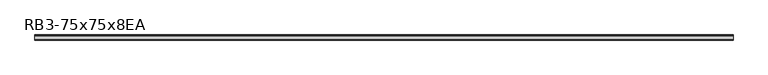
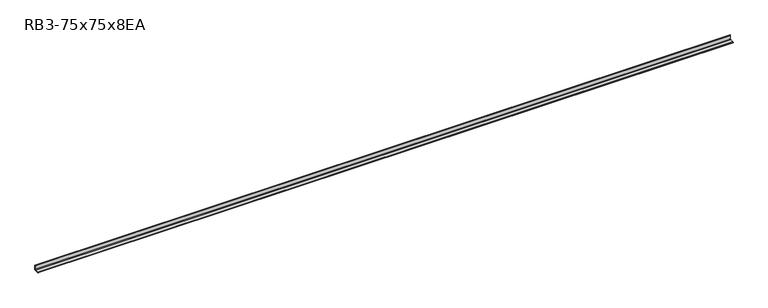
"""IFC4 building model written with IfcOpenShell, lengths in millimetres: member geometry, RB3-75x75x8EA."""

from ifc_helpers import new_model, si_unit, point, frame, frame_2d, origin, place, context, project, spatial, polyline, circle_curve, trimmed, segment, composite_curve, outline, extrude, source, transform, mapped, element, save


def rb3_75x75x8ea_d016b1e2(model_context):
    return source(origin(), model_context, "Body", "SweptSolid", [
        extrude(outline(composite_curve([segment(polyline([(21.3, -21.3), (-53.7, -21.3), (-53.7, -18.3)]), True, "CONTINUOUS"), segment(trimmed(circle_curve(frame_2d((-48.7, -18.3)), 5.0), [point((-53.7, -18.3))], [point((-48.7, -13.3))], False, "CARTESIAN"), True, "CONTINUOUS"), segment(polyline([(-48.7, -13.3), (5.3, -13.3)]), True, "CONTINUOUS"), segment(trimmed(circle_curve(frame_2d((5.3, -5.3)), 8.0), [point((5.3, -13.3))], [point((13.3, -5.3))], True, "CARTESIAN"), True, "CONTINUOUS"), segment(polyline([(13.3, -5.3), (13.3, 48.7)]), True, "CONTINUOUS"), segment(trimmed(circle_curve(frame_2d((18.3, 48.7)), 5.0), [point((13.3, 48.7))], [point((18.3, 53.7))], False, "CARTESIAN"), True, "CONTINUOUS"), segment(polyline([(18.3, 53.7), (21.3, 53.7), (21.3, -21.3)]), True, "CONTINUOUS")], self_intersect=False)), frame((-5107.5, 0.0, 0.0), z_axis=(1.0, 0.0, 0.0), x_axis=(0.0, 1.0, 0.0)), (0.0, 0.0, 1.0), 10223.0),
    ])


if __name__ == "__main__":
    model = new_model("IFC4")
    model_context = context("Model", 3, world=origin())
    ifc_project = project(units=[si_unit("LENGTHUNIT", "METRE", prefix="MILLI")], contexts=[model_context])
    site = spatial("IfcSite", under=ifc_project)
    building = spatial("IfcBuilding", under=site)
    placement = place(None, origin())
    rb3_75x75x8ea_shape = rb3_75x75x8ea_d016b1e2(model_context)
    element("IfcMember", 1, ObjectType="RB3-75x75x8EA", at=placement, inside=building, context=model_context, shape_type="MappedRepresentation", body=[
        mapped(rb3_75x75x8ea_shape, transform((0.0, 0.0, 0.0), x_axis=(1.0, 0.0, 0.0), y_axis=(0.0, 1.0, 0.0), z_axis=(0.0, 0.0, 1.0))),
    ])
    save(model, "model.ifc")
